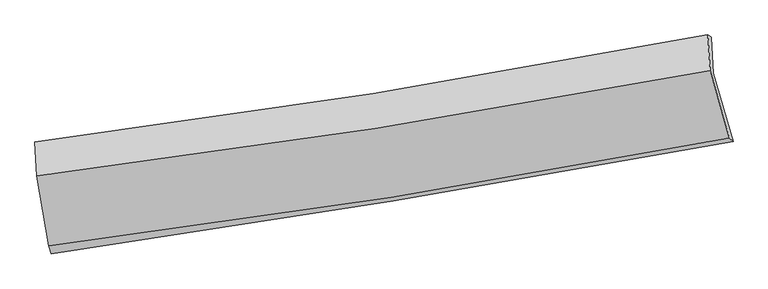
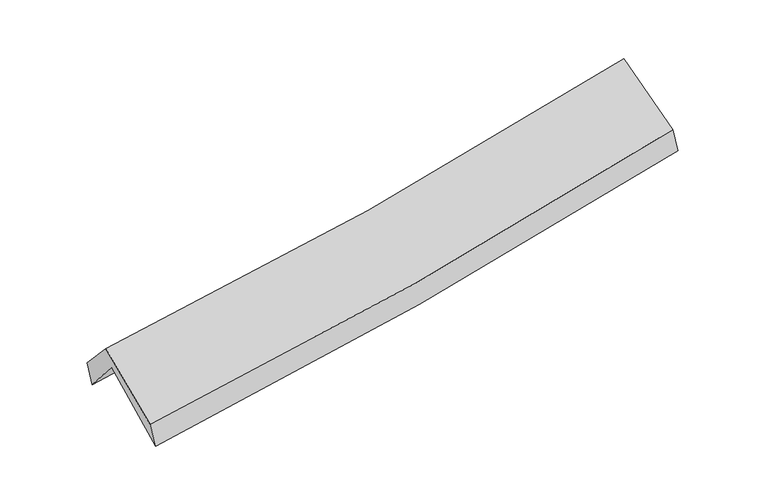
"""IFC4 building model written with IfcOpenShell, lengths in millimetres: proxy geometry."""

from ifc_helpers import new_model, si_unit, frame, origin, place, context, project, spatial, source, transform, mapped, element, save
from ifc_brep_helpers import plane_surface, spline_curve, spline_surface, advanced_brep


def generic_models_6ff3de6a(model_context):
    return source(origin(), model_context, "Body", "AdvancedBrep", [
        advanced_brep(
        [(-2403.169937, -2492.4734261, 1482.3967978), (-2492.5930625, -1984.8327977, 1924.8530374), (2422.1912223, -1172.9360021, 2360.1483635), (2567.9524634, -1672.1822829, 1934.3466076), (-2507.102395, -1720.8535369, 1608.2430449), (2407.5187065, -909.5583124, 2051.2524172), (-2523.11294, -1676.7529563, 1787.5251216), (2384.1959609, -894.1251275, 2225.7568028), (-2508.1600048, -1924.9611444, 2062.8261471), (2400.7501357, -1156.6834245, 2517.1663964), (-2420.531525, -2433.7322385, 1653.4554201), (2541.4716129, -1647.2458993, 2120.2446463)],
        [
            (0, 1),
            (1, 2, spline_curve(3, [(-2492.5930625, -1984.8327977, 1924.8530374), (-1667.712247706, -1866.876983165, 1975.772415978), (-845.383633734, -1740.180414848, 2037.544090371), (792.869709556, -1469.520460268, 2182.676910831), (1608.802523868, -1325.584763734, 2266.003678076), (2422.1912223, -1172.9360021, 2360.1483635)], [4, 2, 4], [0.0, 8.258526104258474, 16.503961056805124])),
            (2, 3),
            (3, 0, spline_curve(3, [(2567.9524634, -1672.1822829, 1934.3466076), (1744.788931835, -1826.340523118, 1833.285479283), (919.277426475, -1971.729977385, 1745.112074551), (-737.755912184, -2245.188224773, 1594.421182118), (-1569.285206862, -2373.229151558, 1531.944650189), (-2403.169937, -2492.4734261, 1482.3967978)], [4, 2, 4], [0.0, 8.24543495254665, 16.503961056805124])),
            (1, 4),
            (4, 5, spline_curve(3, [(-2507.102395, -1720.8535369, 1608.2430449), (-1681.990672759, -1603.003977412, 1658.167734725), (-859.560316817, -1476.410704318, 1720.086317104), (778.63822311, -1205.951264548, 1867.794102403), (1594.414900863, -1062.112795714, 1953.545310802), (2407.5187065, -909.5583124, 2051.2524172)], [4, 2, 4], [0.0, 8.211019061166155, 16.409022277267297])),
            (5, 2),
            (4, 6),
            (6, 7, spline_curve(3, [(-2523.11294, -1676.7529563, 1787.5251216), (-1697.963737561, -1571.279484082, 1834.100484193), (-876.124973497, -1453.26208767, 1893.946958185), (759.634173148, -1192.346407764, 2040.066225954), (1573.565042807, -1049.487861335, 2126.296978782), (2384.1959609, -894.1251275, 2225.7568028)], [4, 2, 4], [0.0, 8.201819780679074, 16.390638298698637])),
            (7, 5),
            (6, 8),
            (8, 9, spline_curve(3, [(-2508.1600048, -1924.9611444, 2062.8261471), (-1682.716810929, -1822.589308319, 2112.861824215), (-860.597519014, -1707.319239978, 2175.781594242), (775.695331524, -1451.185807317, 2327.269158696), (1589.879420137, -1310.363302294, 2415.796138303), (2400.7501357, -1156.6834245, 2517.1663964)], [4, 2, 4], [0.0, 8.192903601348222, 16.372820073679527])),
            (9, 7),
            (8, 10),
            (10, 11, spline_curve(3, [(-2420.531525, -2433.7322385, 1653.4554201), (-1586.656767936, -2329.378815664, 1704.721791737), (-755.893600225, -2211.598946776, 1769.29548215), (898.097588788, -1949.394301083, 1924.934045963), (1721.335467177, -1805.012056745, 2015.956764258), (2541.4716129, -1647.2458993, 2120.2446463)], [4, 2, 4], [0.0, 8.239748559990092, 16.466435733831574])),
            (11, 9),
            (10, 0),
            (3, 11),
        ],
        [
            spline_surface(3, 3, [[(-2403.169937, -2492.4734261, 1482.3967978), (-1569.285206848, -2373.22915151, 1531.944650288), (-737.755912125, -2245.188224744, 1594.421182148), (919.277426416, -1971.729977414, 1745.11207452), (1744.788931804, -1826.340523161, 1833.285479261), (2567.9524634, -1672.1822829, 1934.3466076)], [(-2432.977645484, -2323.259883279, 1629.882210989), (-1602.094220481, -2204.445095408, 1679.887238813), (-773.631819311, -2076.852288053, 1742.128818265), (877.141520827, -1804.326805051, 1890.967019912), (1699.460129137, -1659.421936691, 1977.524878875), (2519.365383023, -1505.766855991, 2076.280526231)], [(-2462.785354016, -2154.046340521, 1777.367624211), (-1634.903234162, -2035.661039367, 1827.82982737), (-809.507726568, -1908.516351421, 1889.836454386), (835.005615166, -1636.923632749, 2036.821965308), (1654.131326499, -1492.503350148, 2121.764278496), (2470.778302677, -1339.351429009, 2218.214444869)], [(-2492.5930625, -1984.8327977, 1924.8530374), (-1667.712247795, -1866.876983265, 1975.772415894), (-845.383633754, -1740.18041473, 2037.544090502), (792.869709577, -1469.520460387, 2182.6769107), (1608.802523832, -1325.584763678, 2266.00367811), (2422.1912223, -1172.9360021, 2360.1483635)]], [4, 4], [4, 2, 4], [0.0, 2.2281231515840356], [0.0, 8.258526104258474, 16.503961056805124]),
            spline_surface(3, 3, [[(-2492.5930625, -1984.8327977, 1924.8530374), (-1667.712247795, -1866.876983265, 1975.772415894), (-845.383633754, -1740.18041473, 2037.544090502), (792.869709577, -1469.520460387, 2182.6769107), (1608.802523832, -1325.584763678, 2266.00367811), (2422.1912223, -1172.9360021, 2360.1483635)], [(-2497.429506679, -1896.839710762, 1819.316373243), (-1672.471722798, -1778.919314607, 1869.904188892), (-850.109194757, -1652.257177993, 1931.724832712), (788.125880709, -1381.664061752, 2077.715974614), (1604.006649492, -1237.76077435, 2161.850889059), (2417.300383702, -1085.143438843, 2257.183048082)], [(-2502.265950821, -1808.846623838, 1713.779709057), (-1677.231197763, -1690.961645964, 1764.035961861), (-854.834755719, -1564.333941188, 1825.905574888), (783.382051883, -1293.80766305, 1972.755038495), (1599.210775147, -1149.936785094, 2057.698099962), (2412.409545098, -997.350875657, 2154.217732618)], [(-2507.102395, -1720.8535369, 1608.2430449), (-1681.990672766, -1603.003977307, 1658.167734859), (-859.560316723, -1476.410704451, 1720.086317098), (778.638223016, -1205.951264415, 1867.794102409), (1594.414900807, -1062.112795766, 1953.545310911), (2407.5187065, -909.5583124, 2051.2524172)]], [4, 4], [4, 2, 4], [0.0, 1.3514844907826005], [0.0, 8.211019061166155, 16.409022277267297]),
            spline_surface(3, 3, [[(-2507.102395, -1720.8535369, 1608.2430449), (-1681.990672766, -1603.003977307, 1658.167734859), (-859.560316723, -1476.410704451, 1720.086317098), (778.638223016, -1205.951264415, 1867.794102409), (1594.414900807, -1062.112795766, 1953.545310911), (2407.5187065, -909.5583124, 2051.2524172)], [(-2512.439243327, -1706.153343382, 1668.003737147), (-1687.315027721, -1592.429146269, 1716.811984625), (-865.08186899, -1468.694498853, 1778.039864143), (772.303539744, -1201.416312204, 1925.218143545), (1587.464948105, -1057.904484303, 2011.129200189), (2399.744457947, -904.413917443, 2109.420545712)], [(-2517.776091673, -1691.453149818, 1727.764429353), (-1692.639382695, -1581.854315185, 1775.456234351), (-870.603421269, -1460.978293252, 1835.993411234), (765.968856459, -1196.881359991, 1982.642184726), (1580.514995461, -1053.69617281, 2068.713089531), (2391.970209453, -899.269522457, 2167.588674288)], [(-2523.11294, -1676.7529563, 1787.5251216), (-1697.963737651, -1571.279484147, 1834.100484116), (-876.124973536, -1453.262087653, 1893.946958279), (759.634173187, -1192.346407781, 2040.066225861), (1573.565042759, -1049.487861347, 2126.296978808), (2384.1959609, -894.1251275, 2225.7568028)]], [4, 4], [4, 2, 4], [0.0, 0.5739745438010493], [0.0, 8.201819780679074, 16.390638298698637]),
            spline_surface(3, 3, [[(-2523.11294, -1676.7529563, 1787.5251216), (-1697.963737651, -1571.279484147, 1834.100484116), (-876.124973536, -1453.262087653, 1893.946958279), (759.634173187, -1192.346407781, 2040.066225861), (1573.565042759, -1049.487861347, 2126.296978808), (2384.1959609, -894.1251275, 2225.7568028)], [(-2518.128628261, -1759.489019, 1879.29213008), (-1692.881428697, -1655.049425517, 1927.02093081), (-870.949155372, -1537.947805074, 1987.891836989), (764.987892651, -1278.626207615, 2135.800536807), (1579.003168529, -1136.446341673, 2222.796698644), (2389.714019189, -981.644559826, 2322.893333996)], [(-2513.144316539, -1842.2250817, 1971.05913862), (-1687.79911976, -1738.819366888, 2019.941377564), (-865.773337221, -1622.633522542, 2081.836715613), (770.341612102, -1364.906007498, 2231.534847668), (1584.441294232, -1223.404822021, 2319.296418492), (2395.232077411, -1069.163992174, 2420.029865204)], [(-2508.1600048, -1924.9611444, 2062.8261471), (-1682.716810806, -1822.589308258, 2112.861824258), (-860.597519056, -1707.319239963, 2175.781594323), (775.695331566, -1451.185807332, 2327.269158615), (1589.879420002, -1310.363302347, 2415.796138328), (2400.7501357, -1156.6834245, 2517.1663964)]], [4, 4], [4, 2, 4], [0.0, 1.2577292802729363], [0.0, 8.192903601348222, 16.372820073679527]),
            spline_surface(3, 3, [[(-2508.1600048, -1924.9611444, 2062.8261471), (-1682.716810806, -1822.589308258, 2112.861824258), (-860.597519056, -1707.319239963, 2175.781594323), (775.695331566, -1451.185807332, 2327.269158615), (1589.879420002, -1310.363302347, 2415.796138328), (2400.7501357, -1156.6834245, 2517.1663964)], [(-2478.950511539, -2094.551509105, 1926.36923812), (-1650.696796486, -1991.519144043, 1976.815146748), (-825.696212796, -1875.412475553, 2040.286223572), (816.496083953, -1617.255305238, 2193.157454415), (1633.698102386, -1475.246220525, 2282.51634702), (2447.657294773, -1320.204249438, 2384.85914637)], [(-2449.741018261, -2264.141873795, 1789.91232908), (-1618.676782149, -2160.448979815, 1840.768469179), (-790.79490648, -2043.505711181, 1904.790852835), (857.296836396, -1783.324803181, 2059.04575023), (1677.516784751, -1640.129138689, 2149.2365557), (2494.564453827, -1483.725074362, 2252.55189633)], [(-2420.531525, -2433.7322385, 1653.4554201), (-1586.656767829, -2329.3788156, 1704.721791669), (-755.89360022, -2211.598946772, 1769.295482083), (898.097588783, -1949.394301086, 1924.93404603), (1721.335467135, -1805.012056867, 2015.956764392), (2541.4716129, -1647.2458993, 2120.2446463)]], [4, 4], [4, 2, 4], [0.0, 2.145609584717201], [0.0, 8.239748559990092, 16.466435733831574]),
            spline_surface(3, 3, [[(-2420.531525, -2433.7322385, 1653.4554201), (-1586.656767829, -2329.3788156, 1704.721791669), (-755.89360022, -2211.598946772, 1769.295482083), (898.097588783, -1949.394301086, 1924.93404603), (1721.335467135, -1805.012056867, 2015.956764392), (2541.4716129, -1647.2458993, 2120.2446463)], [(-2414.74432901, -2453.312634373, 1596.435879322), (-1580.866247512, -2343.995594243, 1647.129411197), (-749.847704189, -2222.795372788, 1711.004048753), (905.15753466, -1956.839526554, 1864.993388842), (1729.15328869, -1812.121545623, 1955.066336024), (2550.298563065, -1655.558027158, 2058.278633409)], [(-2408.95713299, -2472.893030227, 1539.416338578), (-1575.075727165, -2358.612372867, 1589.53703076), (-743.801808156, -2233.991798728, 1652.712615478), (912.217480539, -1964.284751946, 1805.052731708), (1736.971110249, -1819.231034405, 1894.175907629), (2559.125513235, -1663.870155042, 1996.312620491)], [(-2403.169937, -2492.4734261, 1482.3967978), (-1569.285206848, -2373.22915151, 1531.944650288), (-737.755912125, -2245.188224744, 1594.421182148), (919.277426416, -1971.729977414, 1745.11207452), (1744.788931804, -1826.340523161, 1833.285479261), (2567.9524634, -1672.1822829, 1934.3466076)]], [4, 4], [4, 2, 4], [0.0, 0.5925503995531939], [0.0, 8.296118294077273, 16.579085846504533]),
            plane_surface(frame((2454.0133503, -1242.1218414, 2201.4858723), z_axis=(0.9755957043520662, 0.18779479736314605, 0.11378108688675292), x_axis=(0.2176565546247077, -0.7587622032238758, -0.6139263336816166))),
            plane_surface(frame((-2475.7783107, -2038.93435, 1753.2165948), z_axis=(-0.99059101751182, -0.1239722890025324, -0.05796816009129512), x_axis=(-0.09555357100741216, 0.3232959019664604, 0.9414612444702248))),
        ],
        [
            (0, [[1, 2, 3, 4]]),
            (1, [[5, 6, 7, -2]]),
            (2, [[8, 9, 10, -6]]),
            (3, [[11, 12, 13, -9]]),
            (4, [[14, 15, 16, -12]]),
            (5, [[17, -4, 18, -15]]),
            (6, [[-16, -18, -3, -7, -10, -13]]),
            (7, [[-17, -14, -11, -8, -5, -1]]),
        ],
    ),
    ])


if __name__ == "__main__":
    model = new_model("IFC4")
    model_context = context("Model", 3, world=origin())
    ifc_project = project(units=[si_unit("LENGTHUNIT", "METRE", prefix="MILLI")], contexts=[model_context])
    site = spatial("IfcSite", under=ifc_project)
    building = spatial("IfcBuilding", under=site)
    placement = place(None, origin())
    generic_models_shape = generic_models_6ff3de6a(model_context)
    element("IfcBuildingElementProxy", 1, Name="Generic Models", at=placement, inside=building, context=model_context, shape_type="MappedRepresentation", body=[
        mapped(generic_models_shape, transform((0.0, 0.0, 0.0), x_axis=(1.0, 0.0, 0.0), y_axis=(0.0, 1.0, 0.0), z_axis=(0.0, 0.0, 1.0))),
    ])
    save(model, "model.ifc")
